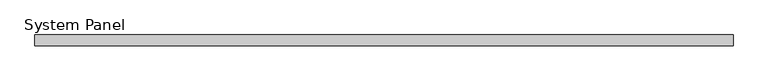
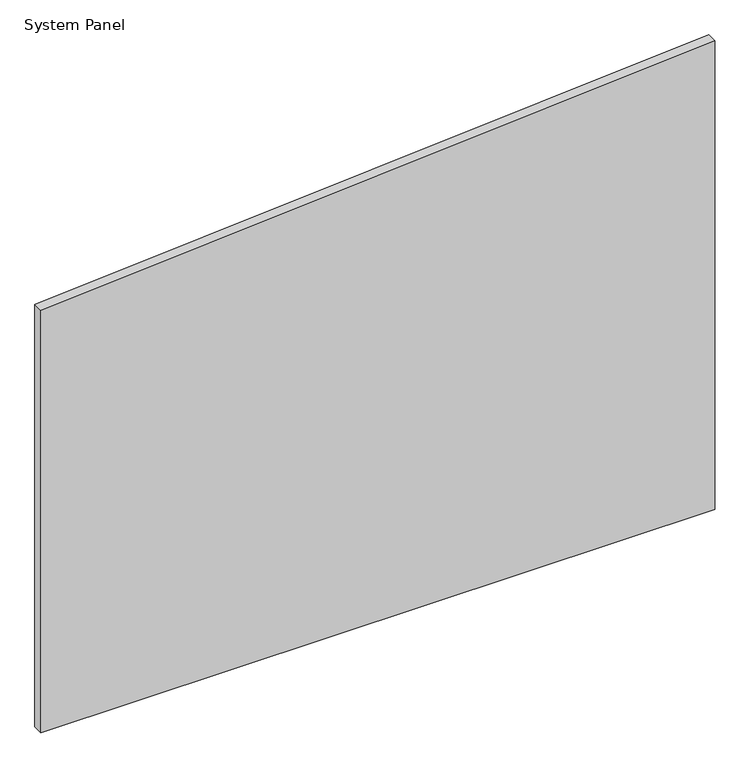
"""IFC4 building model written with IfcOpenShell, lengths in millimetres: plate geometry, System Panel."""

import ifcopenshell
import ifcopenshell.guid

model = None  # the IFC model being written
_history = None  # IfcOwnerHistory: only IFC2X3 demands one
_inside = {}  # id of a spatial element -> (the spatial element, [elements in it])
_under = {}  # id of a project, library or spatial element -> (it, [spatial elements below it])
_declared = {}  # id of a project -> (the project, [libraries it declares])
_typed = {}  # id of a type object -> (the type object, [elements of that type])
_made_of = {}  # id of a material, layer set ... -> (it, [elements and type objects made of it])


def new_model(schema):
    """Start an empty IFC model of exactly this schema.

    Asked for "IFC4X3", IfcOpenShell would pick the latest addendum, in which some entities
    have other attributes; the version numbers below select the first issue.
    IFC2X3 requires an IfcOwnerHistory on every rooted entity: one is made here for all.
    """
    global model, _history
    if schema == "IFC4X3":
        model = ifcopenshell.file(schema_version=(4, 3, 0, 0))
    else:
        model = ifcopenshell.file(schema=schema)
    _inside.clear()
    _under.clear()
    _declared.clear()
    _typed.clear()
    _made_of.clear()
    _history = None
    if model.schema == "IFC2X3":
        org = make("IfcOrganization", Name="unknown")
        user = make(
            "IfcPersonAndOrganization",
            ThePerson=make("IfcPerson", FamilyName="unknown"),
            TheOrganization=org,
        )
        app = make(
            "IfcApplication",
            ApplicationDeveloper=org,
            Version="unknown",
            ApplicationFullName="unknown",
            ApplicationIdentifier="unknown",
        )
        _history = make(
            "IfcOwnerHistory",
            OwningUser=user,
            OwningApplication=app,
            ChangeAction="ADDED",
            CreationDate=0,
        )
    return model


def make(cls, **values):
    """One entity of the class cls with the attributes given. An attribute that is None is left unset."""
    return model.create_entity(
        cls, **{name: value for name, value in values.items() if value is not None}
    )


def rooted(cls, **values):
    """An entity with a GlobalId (a new one), such as an element, a storey or a relation."""
    return make(cls, GlobalId=ifcopenshell.guid.new(), OwnerHistory=_history, **values)


def si_unit(unit_type, name, prefix=None):
    """IfcSIUnit, for example si_unit("LENGTHUNIT", "METRE", prefix="MILLI")."""
    return make("IfcSIUnit", UnitType=unit_type, Prefix=prefix, Name=name)


def assignment(units):
    """IfcUnitAssignment: the units of a project."""
    return None if units is None else make("IfcUnitAssignment", Units=units)


def point(xyz):
    """IfcCartesianPoint."""
    return None if xyz is None else make("IfcCartesianPoint", Coordinates=xyz)


def direction(xyz):
    """IfcDirection."""
    return None if xyz is None else make("IfcDirection", DirectionRatios=xyz)


def frame(location, z_axis=None, x_axis=None):
    """IfcAxis2Placement3D, a coordinate frame: its origin and axes. An axis left out is left unset."""
    return make(
        "IfcAxis2Placement3D",
        Location=point(location),
        Axis=direction(z_axis),
        RefDirection=direction(x_axis),
    )


def origin():
    """The frame at (0, 0, 0) with its axes left unset."""
    return frame((0.0, 0.0, 0.0))


def place(relative_to, where):
    """IfcLocalPlacement: puts the frame where relative to a parent placement (None: the world)."""
    return make(
        "IfcLocalPlacement", PlacementRelTo=relative_to, RelativePlacement=where
    )


def context(
    kind, dimensions, precision=None, world=None, true_north=None, identifier=None
):
    """IfcGeometricRepresentationContext, for example the 3D "Model" context."""
    return make(
        "IfcGeometricRepresentationContext",
        ContextIdentifier=identifier,
        ContextType=kind,
        CoordinateSpaceDimension=dimensions,
        Precision=precision,
        WorldCoordinateSystem=world,
        TrueNorth=true_north,
    )


def project(units=None, contexts=None):
    """IfcProject with its units and contexts."""
    return rooted(
        "IfcProject",
        Name="project",
        RepresentationContexts=contexts,
        UnitsInContext=assignment(units),
    )


def spatial(cls, under=None, at=None, **own):
    """A site, building, storey or space (cls), placed at a placement, below another one or the project."""
    s = rooted(cls, ObjectPlacement=at, **own)
    if under is not None:
        _under.setdefault(under.id(), (under, []))[1].append(s)
    return s


def polyline(points):
    """IfcPolyline through the points."""
    return make("IfcPolyline", Points=[point(p) for p in points])


def outline(outer, holes=None, kind="AREA"):
    """IfcArbitraryClosedProfileDef: a profile drawn as a closed curve; with holes, ...WithVoids."""
    if holes is None:
        return make("IfcArbitraryClosedProfileDef", ProfileType=kind, OuterCurve=outer)
    return make(
        "IfcArbitraryProfileDefWithVoids",
        ProfileType=kind,
        OuterCurve=outer,
        InnerCurves=holes,
    )


def extrude(swept, where, along, depth):
    """IfcExtrudedAreaSolid: the profile swept, set in the frame where, extruded along a direction by depth."""
    return make(
        "IfcExtrudedAreaSolid",
        SweptArea=swept,
        Position=where,
        ExtrudedDirection=direction(along),
        Depth=depth,
    )


def shape(context_of_items, identifier, shape_type, items):
    """IfcShapeRepresentation: the items that make up one representation, for example the "Body"."""
    return make(
        "IfcShapeRepresentation",
        ContextOfItems=context_of_items,
        RepresentationIdentifier=identifier,
        RepresentationType=shape_type,
        Items=items,
    )


def source(mapping_origin, context_of_items, identifier, shape_type, items):
    """IfcRepresentationMap: a shape defined once, which mapped items show again and again."""
    return make(
        "IfcRepresentationMap",
        MappingOrigin=mapping_origin,
        MappedRepresentation=shape(context_of_items, identifier, shape_type, items),
    )


def transform(
    local_origin,
    x_axis=None,
    y_axis=None,
    z_axis=None,
    scale=None,
    scale2=None,
    scale3=None,
    uniform=True,
):
    """IfcCartesianTransformationOperator3D, or its non-uniform kind. x_axis, y_axis, z_axis: its Axis1, 2, 3."""
    if uniform:
        return make(
            "IfcCartesianTransformationOperator3D",
            Axis1=direction(x_axis),
            Axis2=direction(y_axis),
            LocalOrigin=point(local_origin),
            Scale=scale,
            Axis3=direction(z_axis),
        )
    return make(
        "IfcCartesianTransformationOperator3DnonUniform",
        Axis1=direction(x_axis),
        Axis2=direction(y_axis),
        LocalOrigin=point(local_origin),
        Scale=scale,
        Axis3=direction(z_axis),
        Scale2=scale2,
        Scale3=scale3,
    )


def mapped(mapping_source, mapping_target):
    """IfcMappedItem: shows the shape of a source again, moved by a transform."""
    return make(
        "IfcMappedItem", MappingSource=mapping_source, MappingTarget=mapping_target
    )


def made_of(thing, what):
    """Note that an element or type object is made of a material, layer set ...; save() writes the relation."""
    if what is not None:
        _made_of.setdefault(what.id(), (what, []))[1].append(thing)
    return thing


def element(
    cls,
    number,
    at=None,
    inside=None,
    cuts=None,
    type_object=None,
    material=None,
    context=None,
    identifier="Body",
    shape_type=None,
    held_by="IfcProductDefinitionShape",
    body=None,
    shapes=None,
    **own,
):
    """One element of the class cls, such as IfcWall. Its Tag is "e" and its number.

    at: its placement. inside: the storey or other place that contains it. cuts: it is an
    opening in that element (IfcRelVoidsElement). A single representation is given by context,
    identifier, shape_type and body (its items); several are given by shapes. held_by: the class
    of the entity that holds the representations. save() writes the other relations.
    """
    e = rooted(cls, Tag="e%d" % number, ObjectPlacement=at, **own)
    if body is not None:
        shapes = [shape(context, identifier, shape_type, body)]
    if shapes is not None:
        e.Representation = make(held_by, Representations=shapes)
    if inside is not None:
        _inside.setdefault(inside.id(), (inside, []))[1].append(e)
    if cuts is not None:
        rooted(
            "IfcRelVoidsElement", RelatingBuildingElement=cuts, RelatedOpeningElement=e
        )
    if type_object is not None:
        _typed.setdefault(type_object.id(), (type_object, []))[1].append(e)
    return made_of(e, material)


def aggregate(whole, parts):
    """IfcRelAggregates: a whole, such as a stair, and the parts it consists of."""
    return rooted("IfcRelAggregates", RelatingObject=whole, RelatedObjects=parts)


def save(model, path):
    """Write the relations noted so far, then the file.

    IfcRelAggregates (storeys below a building ...), IfcRelContainedInSpatialStructure (elements
    in a storey), IfcRelDefinesByType, IfcRelAssociatesMaterial and IfcRelDeclares: one each for
    every whole, place, type object, material and project.
    """
    for whole, parts in _under.values():
        aggregate(whole, parts)
    for where, things in _inside.values():
        rooted(
            "IfcRelContainedInSpatialStructure",
            RelatedElements=things,
            RelatingStructure=where,
        )
    for kind, things in _typed.values():
        rooted("IfcRelDefinesByType", RelatedObjects=things, RelatingType=kind)
    for what, things in _made_of.values():
        rooted("IfcRelAssociatesMaterial", RelatedObjects=things, RelatingMaterial=what)
    for by, libraries in _declared.values():
        rooted("IfcRelDeclares", RelatingContext=by, RelatedDefinitions=libraries)
    model.write(path)


def system_panel_fd76110e(model_context):
    return source(origin(), model_context, "Body", "SweptSolid", [
        extrude(outline(polyline([(0.0, -657.5125509), (0.0, 657.5125509), (967.8915769, 657.5125509), (871.0993738, -657.5125509), (0.0, -657.5125509)])), frame((0.0, -10.0, 0.0), z_axis=(0.0, 1.0, 0.0), x_axis=(0.0, 0.0, 1.0)), (0.0, 0.0, 1.0), 20.0),
    ])


if __name__ == "__main__":
    model = new_model("IFC4")
    model_context = context("Model", 3, world=origin())
    ifc_project = project(units=[si_unit("LENGTHUNIT", "METRE", prefix="MILLI")], contexts=[model_context])
    site = spatial("IfcSite", under=ifc_project)
    building = spatial("IfcBuilding", under=site)
    placement = place(None, origin())
    system_panel_shape = system_panel_fd76110e(model_context)
    element("IfcPlate", 1, ObjectType="System Panel", at=placement, inside=building, context=model_context, shape_type="MappedRepresentation", body=[
        mapped(system_panel_shape, transform((0.0, 0.0, 0.0), x_axis=(1.0, 0.0, 0.0), y_axis=(0.0, 1.0, 0.0), z_axis=(0.0, 0.0, 1.0))),
    ])
    save(model, "model.ifc")
